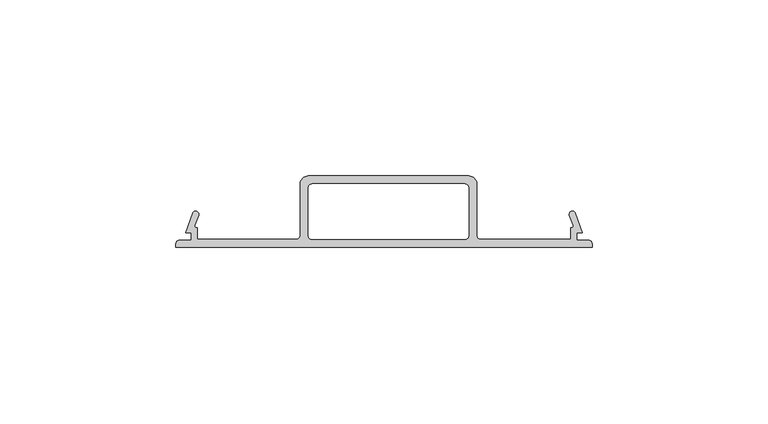
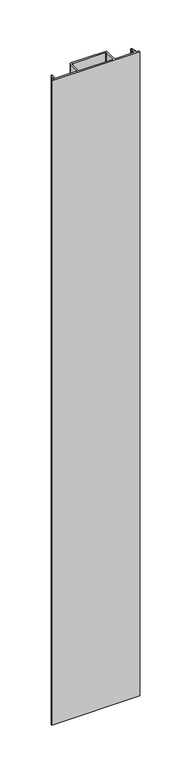
"""IFC4 building model written with IfcOpenShell, lengths in millimetres: proxy geometry."""

from ifc_helpers import new_model, si_unit, point, frame, frame_2d, origin, place, context, project, spatial, polyline, circle_curve, trimmed, segment, composite_curve, outline, extrude, source, transform, mapped, element, save


def generic_models_828882dc(model_context):
    return source(origin(), model_context, "Body", "SweptSolid", [
        extrude(outline(composite_curve([segment(polyline([(37145.8358168, -23894.5811873), (37145.8358168, -23897.9395573), (37173.9028167, -23897.9395573)]), True, "CONTINUOUS"), segment(trimmed(circle_curve(frame_2d((37173.9028167, -23896.7965573)), 1.143), [point((37173.9028167, -23897.9395573))], [point((37175.0458167, -23896.7965573))], True, "CARTESIAN"), True, "CONTINUOUS"), segment(polyline([(37175.0458167, -23896.7965573), (37175.0458167, -23882.1915574)]), True, "CONTINUOUS"), segment(trimmed(circle_curve(frame_2d((37177.3318167, -23882.1915574)), 2.286), [point((37175.0458167, -23882.1915574))], [point((37177.3318167, -23879.9055574))], False, "CARTESIAN"), True, "CONTINUOUS"), segment(polyline([(37177.3318167, -23879.9055574), (37222.9502166, -23879.9055574)]), True, "CONTINUOUS"), segment(trimmed(circle_curve(frame_2d((37222.9502166, -23882.1915574)), 2.286), [point((37222.9502166, -23879.9055574))], [point((37225.2362166, -23882.1915574))], False, "CARTESIAN"), True, "CONTINUOUS"), segment(polyline([(37225.2362166, -23882.1915574), (37225.2362166, -23896.7965573)]), True, "CONTINUOUS"), segment(trimmed(circle_curve(frame_2d((37226.3792166, -23896.7965573)), 1.143), [point((37225.2362166, -23896.7965573))], [point((37226.3792166, -23897.9395573))], True, "CARTESIAN"), True, "CONTINUOUS"), segment(polyline([(37226.3792166, -23897.9395573), (37251.9062168, -23897.9395573), (37251.9062168, -23894.5811873)]), True, "CONTINUOUS"), segment(trimmed(circle_curve(frame_2d((37252.1492915, -23894.135117)), 0.508), [point((37251.9062168, -23894.5811873))], [point((37252.6266553, -23893.9613708))], True, "CARTESIAN"), True, "CONTINUOUS"), segment(polyline([(37252.6266553, -23893.9613708), (37251.587463, -23891.1062132)]), True, "CONTINUOUS"), segment(trimmed(circle_curve(frame_2d((37252.4228497, -23890.8021573)), 0.889), [point((37251.587463, -23891.1062132))], [point((37253.2582365, -23890.4981014))], False, "CARTESIAN"), True, "CONTINUOUS"), segment(polyline([(37253.2582365, -23890.4981014), (37255.2640968, -23896.0091573), (37253.6842168, -23896.0091573), (37253.6842168, -23898.1935573), (37256.9862168, -23898.1935573)]), True, "CONTINUOUS"), segment(trimmed(circle_curve(frame_2d((37256.9862168, -23899.2095573)), 1.016), [point((37256.9862168, -23898.1935573))], [point((37258.0022168, -23899.2095573))], False, "CARTESIAN"), True, "CONTINUOUS"), segment(polyline([(37258.0022168, -23899.2095573), (37258.0022168, -23900.2255573), (37139.7398168, -23900.2255573), (37139.7398168, -23899.2095573)]), True, "CONTINUOUS"), segment(trimmed(circle_curve(frame_2d((37140.7558168, -23899.2095573)), 1.016), [point((37139.7398168, -23899.2095573))], [point((37140.7558168, -23898.1935573))], False, "CARTESIAN"), True, "CONTINUOUS"), segment(polyline([(37140.7558168, -23898.1935573), (37144.0578168, -23898.1935573), (37144.0578168, -23896.0091573), (37142.4779368, -23896.0091573), (37144.4837971, -23890.4981014)]), True, "CONTINUOUS"), segment(trimmed(circle_curve(frame_2d((37145.3191838, -23890.8021573)), 0.889), [point((37144.4837971, -23890.4981014))], [point((37146.1545706, -23891.1062132))], False, "CARTESIAN"), True, "CONTINUOUS"), segment(polyline([(37146.1545706, -23891.1062132), (37145.1153782, -23893.9613708)]), True, "CONTINUOUS"), segment(trimmed(circle_curve(frame_2d((37145.592742, -23894.135117)), 0.508), [point((37145.1153782, -23893.9613708))], [point((37145.8358168, -23894.5811873))], True, "CARTESIAN"), True, "CONTINUOUS")], self_intersect=False), holes=[composite_curve([segment(trimmed(circle_curve(frame_2d((37178.4748167, -23896.7965573)), 1.143), [point((37177.3318167, -23896.7965573))], [point((37178.4748167, -23897.9395573))], True, "CARTESIAN"), True, "CONTINUOUS"), segment(polyline([(37178.4748167, -23897.9395573), (37221.8072166, -23897.9395573)]), True, "CONTINUOUS"), segment(trimmed(circle_curve(frame_2d((37221.8072166, -23896.7965573)), 1.143), [point((37221.8072166, -23897.9395573))], [point((37222.9502166, -23896.7965573))], True, "CARTESIAN"), True, "CONTINUOUS"), segment(polyline([(37222.9502166, -23896.7965573), (37222.9502166, -23883.3345574)]), True, "CONTINUOUS"), segment(trimmed(circle_curve(frame_2d((37221.8072166, -23883.3345574)), 1.143), [point((37222.9502166, -23883.3345574))], [point((37221.8072166, -23882.1915574))], True, "CARTESIAN"), True, "CONTINUOUS"), segment(polyline([(37221.8072166, -23882.1915574), (37178.4748167, -23882.1915574)]), True, "CONTINUOUS"), segment(trimmed(circle_curve(frame_2d((37178.4748167, -23883.3345574)), 1.143), [point((37178.4748167, -23882.1915574))], [point((37177.3318167, -23883.3345574))], True, "CARTESIAN"), True, "CONTINUOUS"), segment(polyline([(37177.3318167, -23883.3345574), (37177.3318167, -23896.7965573)]), True, "CONTINUOUS")], self_intersect=False)]), frame((0.0, 0.0, 1524.0), z_axis=(0.0, 0.0, 1.0), x_axis=(1.0, 0.0, 0.0)), (0.0, 0.0, 1.0), 914.4),
    ])


if __name__ == "__main__":
    model = new_model("IFC4")
    model_context = context("Model", 3, world=origin())
    ifc_project = project(units=[si_unit("LENGTHUNIT", "METRE", prefix="MILLI")], contexts=[model_context])
    site = spatial("IfcSite", under=ifc_project)
    building = spatial("IfcBuilding", under=site)
    placement = place(None, origin())
    generic_models_shape = generic_models_828882dc(model_context)
    element("IfcBuildingElementProxy", 1, Name="Generic Models", at=placement, inside=building, context=model_context, shape_type="MappedRepresentation", body=[
        mapped(generic_models_shape, transform((0.0, 0.0, 0.0), x_axis=(1.0, 0.0, 0.0), y_axis=(0.0, 1.0, 0.0), z_axis=(0.0, 0.0, 1.0))),
    ])
    save(model, "model.ifc")
